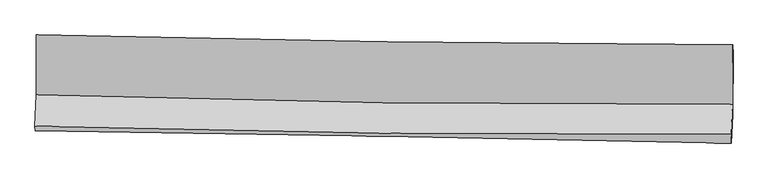
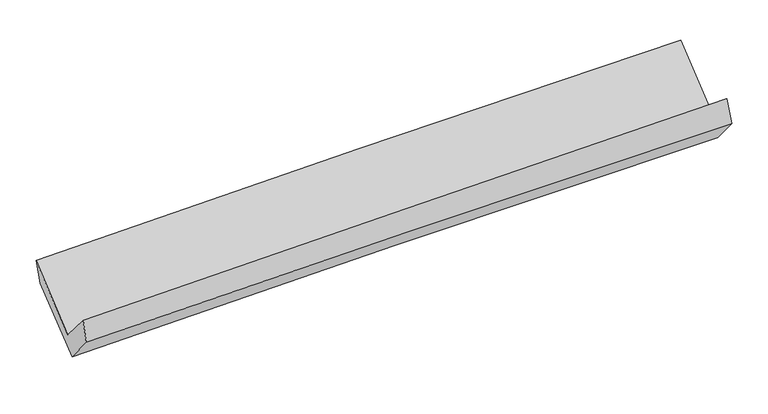
"""IFC4 building model written with IfcOpenShell, lengths in millimetres: proxy geometry."""

import ifcopenshell
import ifcopenshell.guid

model = None  # the IFC model being written
_history = None  # IfcOwnerHistory: only IFC2X3 demands one
_inside = {}  # id of a spatial element -> (the spatial element, [elements in it])
_under = {}  # id of a project, library or spatial element -> (it, [spatial elements below it])
_declared = {}  # id of a project -> (the project, [libraries it declares])
_typed = {}  # id of a type object -> (the type object, [elements of that type])
_made_of = {}  # id of a material, layer set ... -> (it, [elements and type objects made of it])


def new_model(schema):
    """Start an empty IFC model of exactly this schema.

    Asked for "IFC4X3", IfcOpenShell would pick the latest addendum, in which some entities
    have other attributes; the version numbers below select the first issue.
    IFC2X3 requires an IfcOwnerHistory on every rooted entity: one is made here for all.
    """
    global model, _history
    if schema == "IFC4X3":
        model = ifcopenshell.file(schema_version=(4, 3, 0, 0))
    else:
        model = ifcopenshell.file(schema=schema)
    _inside.clear()
    _under.clear()
    _declared.clear()
    _typed.clear()
    _made_of.clear()
    _history = None
    if model.schema == "IFC2X3":
        org = make("IfcOrganization", Name="unknown")
        user = make(
            "IfcPersonAndOrganization",
            ThePerson=make("IfcPerson", FamilyName="unknown"),
            TheOrganization=org,
        )
        app = make(
            "IfcApplication",
            ApplicationDeveloper=org,
            Version="unknown",
            ApplicationFullName="unknown",
            ApplicationIdentifier="unknown",
        )
        _history = make(
            "IfcOwnerHistory",
            OwningUser=user,
            OwningApplication=app,
            ChangeAction="ADDED",
            CreationDate=0,
        )
    return model


def make(cls, **values):
    """One entity of the class cls with the attributes given. An attribute that is None is left unset."""
    return model.create_entity(
        cls, **{name: value for name, value in values.items() if value is not None}
    )


def rooted(cls, **values):
    """An entity with a GlobalId (a new one), such as an element, a storey or a relation."""
    return make(cls, GlobalId=ifcopenshell.guid.new(), OwnerHistory=_history, **values)


def si_unit(unit_type, name, prefix=None):
    """IfcSIUnit, for example si_unit("LENGTHUNIT", "METRE", prefix="MILLI")."""
    return make("IfcSIUnit", UnitType=unit_type, Prefix=prefix, Name=name)


def assignment(units):
    """IfcUnitAssignment: the units of a project."""
    return None if units is None else make("IfcUnitAssignment", Units=units)


def point(xyz):
    """IfcCartesianPoint."""
    return None if xyz is None else make("IfcCartesianPoint", Coordinates=xyz)


def direction(xyz):
    """IfcDirection."""
    return None if xyz is None else make("IfcDirection", DirectionRatios=xyz)


def frame(location, z_axis=None, x_axis=None):
    """IfcAxis2Placement3D, a coordinate frame: its origin and axes. An axis left out is left unset."""
    return make(
        "IfcAxis2Placement3D",
        Location=point(location),
        Axis=direction(z_axis),
        RefDirection=direction(x_axis),
    )


def origin():
    """The frame at (0, 0, 0) with its axes left unset."""
    return frame((0.0, 0.0, 0.0))


def place(relative_to, where):
    """IfcLocalPlacement: puts the frame where relative to a parent placement (None: the world)."""
    return make(
        "IfcLocalPlacement", PlacementRelTo=relative_to, RelativePlacement=where
    )


def context(
    kind, dimensions, precision=None, world=None, true_north=None, identifier=None
):
    """IfcGeometricRepresentationContext, for example the 3D "Model" context."""
    return make(
        "IfcGeometricRepresentationContext",
        ContextIdentifier=identifier,
        ContextType=kind,
        CoordinateSpaceDimension=dimensions,
        Precision=precision,
        WorldCoordinateSystem=world,
        TrueNorth=true_north,
    )


def project(units=None, contexts=None):
    """IfcProject with its units and contexts."""
    return rooted(
        "IfcProject",
        Name="project",
        RepresentationContexts=contexts,
        UnitsInContext=assignment(units),
    )


def spatial(cls, under=None, at=None, **own):
    """A site, building, storey or space (cls), placed at a placement, below another one or the project."""
    s = rooted(cls, ObjectPlacement=at, **own)
    if under is not None:
        _under.setdefault(under.id(), (under, []))[1].append(s)
    return s


def shape(context_of_items, identifier, shape_type, items):
    """IfcShapeRepresentation: the items that make up one representation, for example the "Body"."""
    return make(
        "IfcShapeRepresentation",
        ContextOfItems=context_of_items,
        RepresentationIdentifier=identifier,
        RepresentationType=shape_type,
        Items=items,
    )


def source(mapping_origin, context_of_items, identifier, shape_type, items):
    """IfcRepresentationMap: a shape defined once, which mapped items show again and again."""
    return make(
        "IfcRepresentationMap",
        MappingOrigin=mapping_origin,
        MappedRepresentation=shape(context_of_items, identifier, shape_type, items),
    )


def transform(
    local_origin,
    x_axis=None,
    y_axis=None,
    z_axis=None,
    scale=None,
    scale2=None,
    scale3=None,
    uniform=True,
):
    """IfcCartesianTransformationOperator3D, or its non-uniform kind. x_axis, y_axis, z_axis: its Axis1, 2, 3."""
    if uniform:
        return make(
            "IfcCartesianTransformationOperator3D",
            Axis1=direction(x_axis),
            Axis2=direction(y_axis),
            LocalOrigin=point(local_origin),
            Scale=scale,
            Axis3=direction(z_axis),
        )
    return make(
        "IfcCartesianTransformationOperator3DnonUniform",
        Axis1=direction(x_axis),
        Axis2=direction(y_axis),
        LocalOrigin=point(local_origin),
        Scale=scale,
        Axis3=direction(z_axis),
        Scale2=scale2,
        Scale3=scale3,
    )


def mapped(mapping_source, mapping_target):
    """IfcMappedItem: shows the shape of a source again, moved by a transform."""
    return make(
        "IfcMappedItem", MappingSource=mapping_source, MappingTarget=mapping_target
    )


def made_of(thing, what):
    """Note that an element or type object is made of a material, layer set ...; save() writes the relation."""
    if what is not None:
        _made_of.setdefault(what.id(), (what, []))[1].append(thing)
    return thing


def element(
    cls,
    number,
    at=None,
    inside=None,
    cuts=None,
    type_object=None,
    material=None,
    context=None,
    identifier="Body",
    shape_type=None,
    held_by="IfcProductDefinitionShape",
    body=None,
    shapes=None,
    **own,
):
    """One element of the class cls, such as IfcWall. Its Tag is "e" and its number.

    at: its placement. inside: the storey or other place that contains it. cuts: it is an
    opening in that element (IfcRelVoidsElement). A single representation is given by context,
    identifier, shape_type and body (its items); several are given by shapes. held_by: the class
    of the entity that holds the representations. save() writes the other relations.
    """
    e = rooted(cls, Tag="e%d" % number, ObjectPlacement=at, **own)
    if body is not None:
        shapes = [shape(context, identifier, shape_type, body)]
    if shapes is not None:
        e.Representation = make(held_by, Representations=shapes)
    if inside is not None:
        _inside.setdefault(inside.id(), (inside, []))[1].append(e)
    if cuts is not None:
        rooted(
            "IfcRelVoidsElement", RelatingBuildingElement=cuts, RelatedOpeningElement=e
        )
    if type_object is not None:
        _typed.setdefault(type_object.id(), (type_object, []))[1].append(e)
    return made_of(e, material)


def aggregate(whole, parts):
    """IfcRelAggregates: a whole, such as a stair, and the parts it consists of."""
    return rooted("IfcRelAggregates", RelatingObject=whole, RelatedObjects=parts)


def save(model, path):
    """Write the relations noted so far, then the file.

    IfcRelAggregates (storeys below a building ...), IfcRelContainedInSpatialStructure (elements
    in a storey), IfcRelDefinesByType, IfcRelAssociatesMaterial and IfcRelDeclares: one each for
    every whole, place, type object, material and project.
    """
    for whole, parts in _under.values():
        aggregate(whole, parts)
    for where, things in _inside.values():
        rooted(
            "IfcRelContainedInSpatialStructure",
            RelatedElements=things,
            RelatingStructure=where,
        )
    for kind, things in _typed.values():
        rooted("IfcRelDefinesByType", RelatedObjects=things, RelatingType=kind)
    for what, things in _made_of.values():
        rooted("IfcRelAssociatesMaterial", RelatedObjects=things, RelatingMaterial=what)
    for by, libraries in _declared.values():
        rooted("IfcRelDeclares", RelatingContext=by, RelatedDefinitions=libraries)
    model.write(path)


def plane_surface(at):
    """IfcPlane: the flat surface through the origin of the frame at, square to its z axis."""
    return make("IfcPlane", Position=at)


def spline_curve(degree, points, multiplicities, knots, weights=None):
    """IfcBSplineCurveWithKnots; with weights, IfcRationalBSplineCurveWithKnots."""
    own = dict(
        Degree=degree,
        ControlPointsList=[point(p) for p in points],
        CurveForm="UNSPECIFIED",
        ClosedCurve=False,
        SelfIntersect=False,
        KnotMultiplicities=multiplicities,
        Knots=knots,
        KnotSpec="UNSPECIFIED",
    )
    if weights is None:
        return make("IfcBSplineCurveWithKnots", **own)
    return make("IfcRationalBSplineCurveWithKnots", WeightsData=weights, **own)


def spline_surface(u_degree, v_degree, points, u_multiplicities, v_multiplicities, u_knots, v_knots, weights=None):
    """IfcBSplineSurfaceWithKnots; with weights, IfcRationalBSplineSurfaceWithKnots. points: one row for each step in u."""
    own = dict(
        UDegree=u_degree,
        VDegree=v_degree,
        ControlPointsList=[[point(p) for p in row] for row in points],
        SurfaceForm="UNSPECIFIED",
        UClosed=False,
        VClosed=False,
        SelfIntersect=False,
        UMultiplicities=u_multiplicities,
        VMultiplicities=v_multiplicities,
        UKnots=u_knots,
        VKnots=v_knots,
        KnotSpec="UNSPECIFIED",
    )
    if weights is None:
        return make("IfcBSplineSurfaceWithKnots", **own)
    return make("IfcRationalBSplineSurfaceWithKnots", WeightsData=weights, **own)


def advanced_brep(points, edges, surfaces, faces):
    """IfcAdvancedBrep: a solid bounded by faces that lie on surfaces and meet in shared edges.

    An edge is (start, end): straight between two places in points (the first is 0);
    or (start, end, curve); or (start, end, curve, False) where it runs against its curve.
    A face is (place in surfaces, loops), or (place, loops, False) where it looks against
    its surface's normal. A loop lists edges by number (the first is 1), with a minus sign
    where the edge is run from its end to its start. The first loop is the outer one.
    """
    corners = [point(p) for p in points]
    vertices = [make("IfcVertexPoint", VertexGeometry=c) for c in corners]
    made = []
    for start, end, *more in edges:
        made.append(
            make(
                "IfcEdgeCurve",
                EdgeStart=vertices[start],
                EdgeEnd=vertices[end],
                EdgeGeometry=more[0] if more else make("IfcPolyline", Points=[corners[start], corners[end]]),
                SameSense=more[1] if len(more) > 1 else True,
            )
        )
    hull = []
    for where, loops, *sense in faces:
        bounds = []
        for j, loop in enumerate(loops):
            ring = [make("IfcOrientedEdge", EdgeElement=made[abs(k) - 1], Orientation=k > 0) for k in loop]
            bounds.append(
                make(
                    "IfcFaceOuterBound" if j == 0 else "IfcFaceBound",
                    Bound=make("IfcEdgeLoop", EdgeList=ring),
                    Orientation=True,
                )
            )
        hull.append(make("IfcAdvancedFace", Bounds=bounds, FaceSurface=surfaces[where], SameSense=sense[0] if sense else True))
    return make("IfcAdvancedBrep", Outer=make("IfcClosedShell", CfsFaces=hull))


def generic_models_4f3ef4e3(model_context):
    return source(origin(), model_context, "Body", "AdvancedBrep", [
        advanced_brep(
        [(-3003.0458235, -1140.8515023, 2159.3038457), (-3001.9361614, -1655.2874326, 1732.9011759), (2991.6031648, -1739.5691488, 1883.6922638), (2994.4001205, -1225.9811287, 2300.2133459), (-3013.78638, -1926.8593756, 2047.0578941), (2980.0235934, -1997.8974101, 2193.369383), (-3009.9704992, -1967.9145787, 1851.4025173), (2982.4431061, -2071.3139437, 1989.9392505), (-2998.9057141, -1719.8442573, 1554.0224356), (2993.413587, -1826.5738622, 1696.5512835), (-2999.5850579, -1199.2062943, 1966.3260595), (2996.4656589, -1301.6864444, 2112.3565035)],
        [
            (0, 1),
            (1, 2, spline_curve(3, [(-3001.9361614, -1655.2874326, 1732.9011759), (-2003.600068401, -1687.656823194, 1781.178832278), (-1004.825067632, -1710.864373678, 1817.883874564), (993.021884873, -1738.947630445, 1868.13411941), (1992.093325805, -1743.833984959, 1881.692773514), (2991.6031648, -1739.5691488, 1883.6922638)], [4, 2, 4], [0.0, 9.84282521268042, 19.67992857716218])),
            (2, 3),
            (3, 0, spline_curve(3, [(2994.4001205, -1225.9811287, 2300.2133459), (1994.579974014, -1222.824893102, 2296.074956523), (995.027971734, -1214.156305762, 2282.269529297), (-1004.120988446, -1185.786177955, 2235.310944712), (-2003.717633761, -1166.078223346, 2202.146539082), (-3003.0458235, -1140.8515023, 2159.3038457)], [4, 2, 4], [0.0, 9.83710336448176, 19.67992857716218])),
            (1, 4),
            (4, 5, spline_curve(3, [(-3013.78638, -1926.8593756, 2047.0578941), (-2015.24882509, -1955.298124641, 2088.330181309), (-1016.350555489, -1975.436643836, 2121.160039761), (981.586521326, -1999.106341508, 2169.920723496), (1980.624909811, -2002.647166929, 2185.861361067), (2980.0235934, -1997.8974101, 2193.369383)], [4, 2, 4], [0.0, 9.839850555288916, 19.673980991612158])),
            (5, 2),
            (4, 6),
            (6, 7, spline_curve(3, [(-3009.9704992, -1967.9145787, 1851.4025173), (-2011.028554676, -1979.874591835, 1881.239475411), (-1012.044580648, -1994.474484645, 1907.705058992), (985.426669721, -2028.944007701, 1953.880051243), (1983.913897627, -2048.810570067, 1973.593379102), (2982.4431061, -2071.3139437, 1989.9392505)], [4, 2, 4], [0.0, 9.838106675492979, 19.670494245775508])),
            (7, 5),
            (6, 8),
            (8, 9, spline_curve(3, [(-2998.9057141, -1719.8442573, 1554.0224356), (-2000.218367492, -1737.740558342, 1590.975678734), (-1001.369519039, -1755.585413494, 1621.33123995), (996.070436012, -1791.16188881, 1668.833187479), (1994.661354435, -1808.893568469, 1685.987242092), (2993.413587, -1826.5738622, 1696.5512835)], [4, 2, 4], [0.0, 9.837199924895378, 19.668681271694133])),
            (9, 7),
            (8, 10),
            (10, 11, spline_curve(3, [(-2999.5850579, -1199.2062943, 1966.3260595), (-2000.170351787, -1217.657571326, 2002.866322115), (-1000.646796782, -1235.425506501, 2033.307422697), (998.036901742, -1269.584762253, 2081.977148205), (1997.196919254, -1285.976876879, 2100.212862597), (2996.4656589, -1301.6864444, 2112.3565035)], [4, 2, 4], [0.0, 9.840383682527031, 19.67504693616994])),
            (11, 9),
            (10, 0),
            (3, 11),
        ],
        [
            spline_surface(3, 3, [[(-3003.0458235, -1140.8515023, 2159.3038457), (-2003.717633922, -1166.078223442, 2202.146538967), (-1004.120988377, -1185.786178032, 2235.31094487), (995.027971665, -1214.156305685, 2282.269529139), (1994.579974092, -1222.824893204, 2296.074956644), (2994.4001205, -1225.9811287, 2300.2133459)], [(-3002.675936129, -1312.330145738, 2017.169622433), (-2003.678445377, -1339.93775668, 2061.823970113), (-1004.355681443, -1360.812243293, 2096.168588041), (994.359275992, -1389.086747239, 2144.224392572), (1993.751091385, -1396.494590484, 2157.947562243), (2993.467801936, -1397.177135384, 2161.372985206)], [(-3002.306048771, -1483.808789162, 1875.035399167), (-2003.639256847, -1513.797289904, 1921.50140126), (-1004.590374425, -1535.838308534, 1957.026231288), (993.690580404, -1564.017188774, 2006.179256082), (1992.922208671, -1570.164287813, 2019.820167825), (2992.535483364, -1568.373142116, 2022.532624494)], [(-3001.9361614, -1655.2874326, 1732.9011759), (-2003.600068302, -1687.656823141, 1781.178832406), (-1004.825067491, -1710.864373795, 1817.883874459), (993.021884732, -1738.947630329, 1868.134119514), (1992.093325965, -1743.833985093, 1881.692773423), (2991.6031648, -1739.5691488, 1883.6922638)]], [4, 4], [4, 2, 4], [0.0, 2.1970196722450672], [0.0, 9.84282521268042, 19.67992857716218]),
            spline_surface(3, 3, [[(-3001.9361614, -1655.2874326, 1732.9011759), (-2003.600068302, -1687.656823141, 1781.178832406), (-1004.825067491, -1710.864373795, 1817.883874459), (993.021884732, -1738.947630329, 1868.134119514), (1992.093325965, -1743.833985093, 1881.692773423), (2991.6031648, -1739.5691488, 1883.6922638)], [(-3005.886234263, -1745.811413615, 1837.620081956), (-2007.482987227, -1776.870590317, 1883.562615321), (-1008.66689686, -1799.05513052, 1918.975929596), (989.210096979, -1825.667200677, 1968.729654181), (1988.270520566, -1830.105045695, 1983.082302654), (2987.743307668, -1825.678569228, 1986.917970214)], [(-3009.836307137, -1836.335394585, 1942.338988044), (-2011.365906163, -1866.084357447, 1985.946398268), (-1012.508726248, -1887.245887246, 2020.067984669), (985.398309206, -1912.386771025, 2069.325188784), (1984.447715162, -1916.376106314, 2084.471831844), (2983.883450532, -1911.787989672, 2090.143676586)], [(-3013.78638, -1926.8593756, 2047.0578941), (-2015.248825088, -1955.298124622, 2088.330181183), (-1016.350555616, -1975.436643972, 2121.160039806), (981.586521453, -1999.106341373, 2169.920723451), (1980.624909763, -2002.647166915, 2185.861361075), (2980.0235934, -1997.8974101, 2193.369383)]], [4, 4], [4, 2, 4], [0.0, 1.3143587845021396], [0.0, 9.839850555288916, 19.673980991612158]),
            spline_surface(3, 3, [[(-3013.78638, -1926.8593756, 2047.0578941), (-2015.248825088, -1955.298124622, 2088.330181183), (-1016.350555616, -1975.436643972, 2121.160039806), (981.586521453, -1999.106341373, 2169.920723451), (1980.624909763, -2002.647166915, 2185.861361075), (2980.0235934, -1997.8974101, 2193.369383)], [(-3012.514419715, -1940.544443292, 1981.839435179), (-2013.842068242, -1963.490280308, 2019.299945926), (-1014.915230648, -1981.782590817, 2050.00837947), (982.866570938, -2009.052230197, 2097.907166066), (1981.721239111, -2018.034967977, 2115.105367015), (2980.830097644, -2022.369587979, 2125.559338818)], [(-3011.242459485, -1954.229511008, 1916.620976221), (-2012.435311452, -1971.682436019, 1950.269710631), (-1013.479905741, -1988.128537659, 1978.856719204), (984.146620361, -2018.998119017, 2025.893608751), (1982.817568428, -2033.422769001, 2044.349373002), (2981.636601856, -2046.841765821, 2057.749294682)], [(-3009.9704992, -1967.9145787, 1851.4025173), (-2011.028554607, -1979.874591706, 1881.239475374), (-1012.044580772, -1994.474484504, 1907.705058868), (985.426669846, -2028.944007841, 1953.880051366), (1983.913897776, -2048.810570062, 1973.593378942), (2982.4431061, -2071.3139437, 1989.9392505)]], [4, 4], [4, 2, 4], [0.0, 0.7092227881196913], [0.0, 9.838106675492979, 19.670494245775508]),
            spline_surface(3, 3, [[(-3009.9704992, -1967.9145787, 1851.4025173), (-2011.028554607, -1979.874591706, 1881.239475374), (-1012.044580772, -1994.474484504, 1907.705058868), (985.426669846, -2028.944007841, 1953.880051366), (1983.913897776, -2048.810570062, 1973.593378942), (2982.4431061, -2071.3139437, 1989.9392505)], [(-3006.282237506, -1885.22447156, 1752.275823406), (-2007.425158914, -1899.163247229, 1784.484876519), (-1008.486226828, -1914.844794165, 1812.247119262), (988.974591832, -1949.683301451, 1858.864430077), (1987.496383264, -1968.838236197, 1877.724666705), (2986.099933054, -1989.733916549, 1892.143261512)], [(-3002.593975794, -1802.53436444, 1653.149129494), (-2003.821763204, -1818.451902772, 1687.730277645), (-1004.927872829, -1835.215103899, 1716.789179596), (992.522513872, -1870.422595134, 1763.848808728), (1991.078868789, -1888.865902285, 1781.855954433), (2989.756760046, -1908.153889351, 1794.347272488)], [(-2998.9057141, -1719.8442573, 1554.0224356), (-2000.218367511, -1737.740558294, 1590.97567879), (-1001.369518885, -1755.58541356, 1621.33123999), (996.070435858, -1791.161888744, 1668.833187438), (1994.661354277, -1808.893568419, 1685.987242197), (2993.413587, -1826.5738622, 1696.5512835)]], [4, 4], [4, 2, 4], [0.0, 1.2211965377016787], [0.0, 9.837199924895378, 19.668681271694133]),
            spline_surface(3, 3, [[(-2998.9057141, -1719.8442573, 1554.0224356), (-2000.218367511, -1737.740558294, 1590.97567879), (-1001.369518885, -1755.58541356, 1621.33123999), (996.070435858, -1791.161888744, 1668.833187438), (1994.661354277, -1808.893568419, 1685.987242197), (2993.413587, -1826.5738622, 1696.5512835)], [(-2999.132162054, -1546.29826962, 1691.456976896), (-2000.202362257, -1564.379562592, 1728.272559936), (-1001.128611555, -1582.198777893, 1758.656634199), (996.725924542, -1617.302846611, 1806.547841019), (1995.506542639, -1634.588004604, 1824.062448944), (2994.430944309, -1651.611389578, 1835.153023481)], [(-2999.358609946, -1372.75228198, 1828.891518204), (-2000.186356941, -1391.018566929, 1865.569441094), (-1000.887704253, -1408.812142152, 1895.98202846), (997.381413199, -1443.443804403, 1944.262494653), (1996.351730973, -1460.282440854, 1962.137655748), (2995.448301591, -1476.648917022, 1973.754763519)], [(-2999.5850579, -1199.2062943, 1966.3260595), (-2000.170351688, -1217.657571227, 2002.866322241), (-1000.646796923, -1235.425506485, 2033.307422669), (998.036901883, -1269.58476227, 2081.977148234), (1997.196919336, -1285.976877039, 2100.212862495), (2996.4656589, -1301.6864444, 2112.3565035)]], [4, 4], [4, 2, 4], [0.0, 2.1799963337897363], [0.0, 9.840383682527031, 19.67504693616994]),
            spline_surface(3, 3, [[(-2999.5850579, -1199.2062943, 1966.3260595), (-2000.170351688, -1217.657571227, 2002.866322241), (-1000.646796923, -1235.425506485, 2033.307422669), (998.036901883, -1269.58476227, 2081.977148234), (1997.196919336, -1285.976877039, 2100.212862495), (2996.4656589, -1301.6864444, 2112.3565035)], [(-3000.738646434, -1179.754696975, 2030.651988229), (-2001.3527791, -1200.464455307, 2069.293061145), (-1001.804860731, -1218.879063659, 2100.641930094), (997.033925153, -1251.108610066, 2148.741275228), (1996.324604244, -1264.926215777, 2165.500227215), (2995.777146089, -1276.451339183, 2174.97545097)], [(-3001.892234966, -1160.303099625, 2094.977916971), (-2002.53520651, -1183.271339363, 2135.719800062), (-1002.962924569, -1202.332620858, 2167.976437444), (996.030948394, -1232.632457888, 2215.505402145), (1995.452289185, -1243.875554466, 2230.787591924), (2995.088633311, -1251.216233917, 2237.59439843)], [(-3003.0458235, -1140.8515023, 2159.3038457), (-2003.717633922, -1166.078223442, 2202.146538967), (-1004.120988377, -1185.786178032, 2235.31094487), (995.027971665, -1214.156305685, 2282.269529139), (1994.579974092, -1222.824893204, 2296.074956644), (2994.4001205, -1225.9811287, 2300.2133459)]], [4, 4], [4, 2, 4], [0.0, 0.6821531269940952], [0.0, 9.844417182977613, 19.683111592309636]),
            plane_surface(frame((2989.7248718, -1693.8369896, 2029.3536717), z_axis=(0.9995806822598008, -0.021327569729165066, 0.019585566687714), x_axis=(0.004557818979810504, 0.7838418922515178, 0.6209437287208136))),
            plane_surface(frame((-3004.5382727, -1601.6605735, 1885.168988), z_axis=(-0.9995905500235688, 0.016951041319172522, -0.02305199561372118), x_axis=(0.017163302783243843, -0.2894044494653479, -0.957053021345855))),
        ],
        [
            (0, [[1, 2, 3, 4]]),
            (1, [[5, 6, 7, -2]]),
            (2, [[8, 9, 10, -6]]),
            (3, [[11, 12, 13, -9]]),
            (4, [[14, 15, 16, -12]]),
            (5, [[17, -4, 18, -15]]),
            (6, [[-16, -18, -3, -7, -10, -13]]),
            (7, [[-17, -14, -11, -8, -5, -1]]),
        ],
    ),
    ])


if __name__ == "__main__":
    model = new_model("IFC4")
    model_context = context("Model", 3, world=origin())
    ifc_project = project(units=[si_unit("LENGTHUNIT", "METRE", prefix="MILLI")], contexts=[model_context])
    site = spatial("IfcSite", under=ifc_project)
    building = spatial("IfcBuilding", under=site)
    placement = place(None, origin())
    generic_models_shape = generic_models_4f3ef4e3(model_context)
    element("IfcBuildingElementProxy", 1, Name="Generic Models", at=placement, inside=building, context=model_context, shape_type="MappedRepresentation", body=[
        mapped(generic_models_shape, transform((0.0, 0.0, 0.0), x_axis=(1.0, 0.0, 0.0), y_axis=(0.0, 1.0, 0.0), z_axis=(0.0, 0.0, 1.0))),
    ])
    save(model, "model.ifc")
